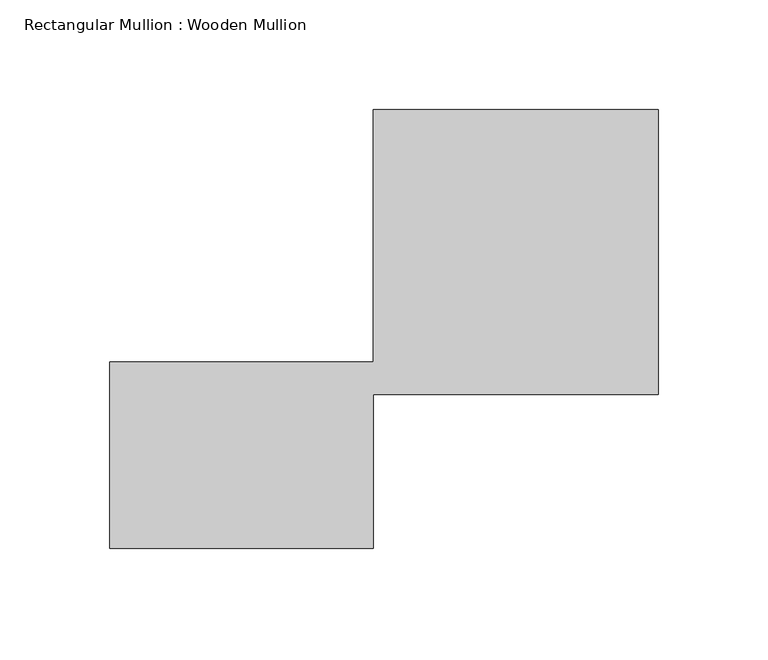
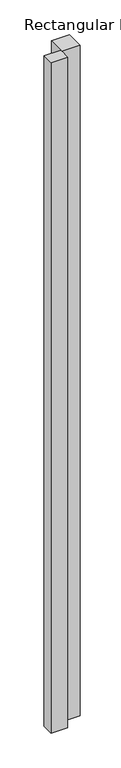
"""IFC4 building model written with IfcOpenShell, lengths in millimetres: member geometry, Rectangular Mullion : Wooden Mullion."""

from ifc_helpers import new_model, si_unit, frame, origin, place, context, project, spatial, polyline, outline, extrude, source, transform, mapped, element, save


def rectangular_mullion_wooden_mullion_08d8ad07(model_context):
    return source(origin(), model_context, "Body", "SweptSolid", [
        extrude(outline(polyline([(74.8100006, -26.0137344), (-45.1899994, -26.0137344), (-45.1899994, 58.9862656), (74.8100006, 58.9862656), (74.8100006, 173.9862656), (204.8100006, 173.9862656), (204.8100006, 43.9862656), (74.8100006, 43.9862656), (74.8100006, -26.0137344)])), frame((0.0, 0.0, -5059.8693777), z_axis=(0.0, 0.0, 1.0), x_axis=(1.0, 0.0, 0.0)), (0.0, 0.0, 1.0), 5059.8693777),
    ])


if __name__ == "__main__":
    model = new_model("IFC4")
    model_context = context("Model", 3, world=origin())
    ifc_project = project(units=[si_unit("LENGTHUNIT", "METRE", prefix="MILLI")], contexts=[model_context])
    site = spatial("IfcSite", under=ifc_project)
    building = spatial("IfcBuilding", under=site)
    placement = place(None, origin())
    rectangular_mullion_wooden_mullion_shape = rectangular_mullion_wooden_mullion_08d8ad07(model_context)
    element("IfcMember", 1, ObjectType="Rectangular Mullion : Wooden Mullion", at=placement, inside=building, context=model_context, shape_type="MappedRepresentation", body=[
        mapped(rectangular_mullion_wooden_mullion_shape, transform((0.0, 0.0, 0.0), x_axis=(1.0, 0.0, 0.0), y_axis=(0.0, 1.0, 0.0), z_axis=(0.0, 0.0, 1.0))),
    ])
    save(model, "model.ifc")
